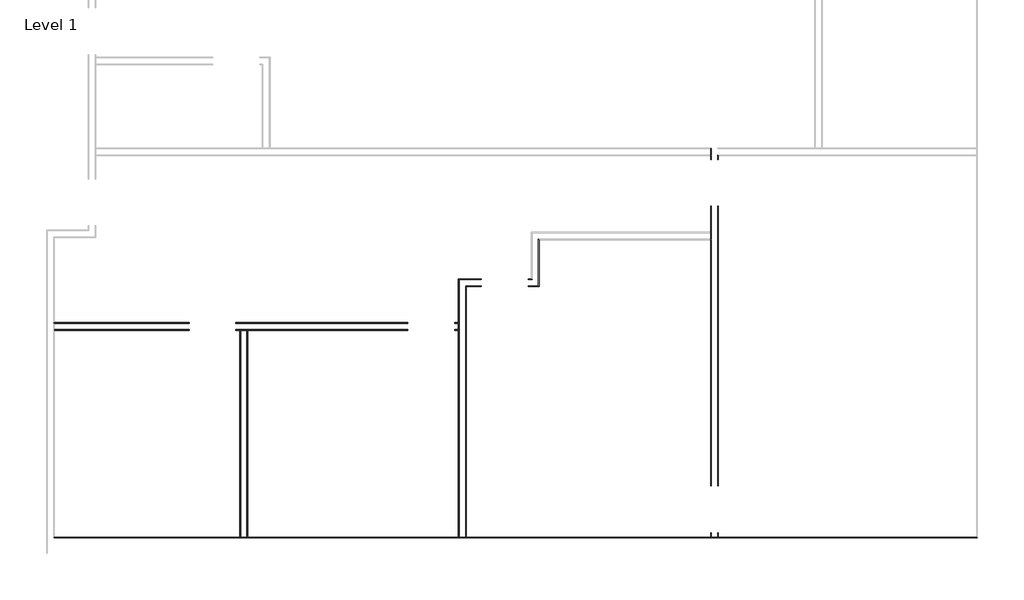
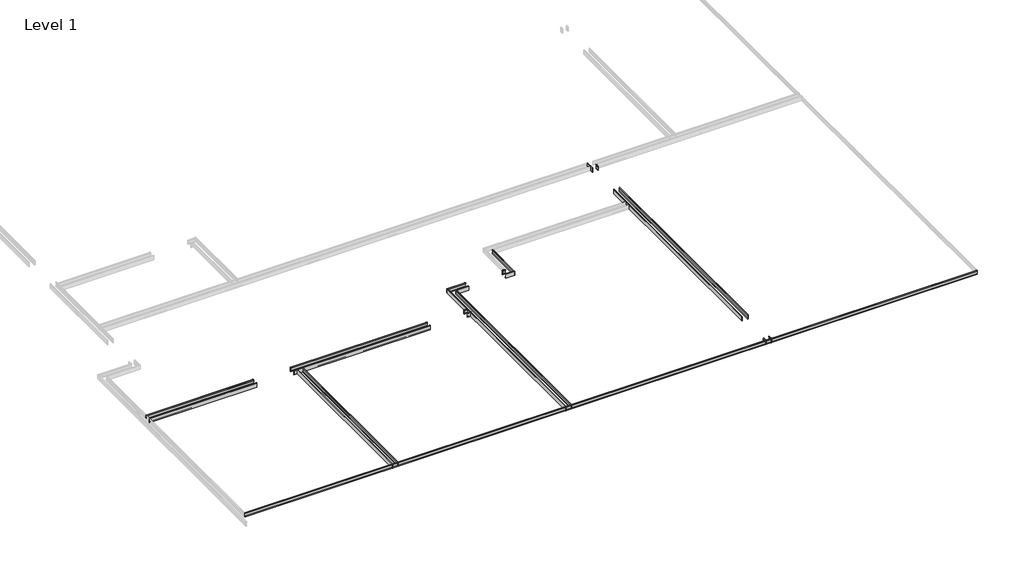
# One storey, part 45 of 51: 12 proxies.
"""IFC4 building model written with IfcOpenShell, lengths in millimetres."""

from ifc_helpers import new_model, si_unit, point, frame, frame_2d, origin, place, context, project, spatial, polyline, circle_curve, ellipse_curve, trimmed, segment, composite_curve, outline, extrude, element, save
from ifc_brep_helpers import plane_surface, cylinder_surface, advanced_brep

model = new_model("IFC4")

# Units and contexts
model_context = context("Model", 3, world=origin())
ifc_project = project(units=[si_unit("LENGTHUNIT", "METRE", prefix="MILLI")], contexts=[model_context])

# Site, building, storey
site = spatial("IfcSite", under=ifc_project)
building = spatial("IfcBuilding", under=site)
storey = spatial("IfcBuildingStorey", under=building, Name="Level 1", Elevation=0.0)

# Proxies
placement = place(None, origin())
element("IfcBuildingElementProxy", 1, Name="Wall Sweeps", at=placement, inside=storey, context=model_context, shape_type="AdvancedBrep", body=[
    advanced_brep(
    [(149211.190984, -21423.9301669, 22.1801656), (149207.8012805, -21423.9301669, 23.915644), (149207.8012805, -21423.9301669, 85.828144), (149211.190984, -21423.9301669, 87.5505545), (149211.190984, -21423.9301669, 107.95), (149200.078484, -21423.9301669, 107.95), (149196.903484, -21423.9301669, 104.775), (149196.903484, -21423.9301669, 0.0), (149211.190984, -21423.9301669, 0.0), (149211.190984, -16366.1551669, 22.1801656), (149211.190984, -16366.1551669, 0.0), (149196.903484, -16351.8676669, 0.0), (149196.903484, -16351.8676669, 104.775), (149200.078484, -16355.0426669, 107.95), (149211.190984, -16366.1551669, 107.95), (149211.190984, -16366.1551669, 87.5505545), (149207.8012805, -16362.7654634, 85.828144), (149207.8012805, -16362.7654634, 23.915644)],
    [
        (0, 1),
        (1, 2),
        (2, 3),
        (3, 4),
        (4, 5),
        (5, 6, circle_curve(frame((149200.078484, -21423.9301669, 104.775), z_axis=(0.0, -1.0, 0.0), x_axis=(-1.0, 0.0, 0.0)), 3.175)),
        (6, 7),
        (7, 8),
        (8, 0),
        (9, 10),
        (10, 11),
        (11, 12),
        (12, 13, ellipse_curve(frame((149200.078484, -16355.0426669, 104.775), z_axis=(0.7071067811865476, 0.7071067811865476, 0.0), x_axis=(0.7071067811865476, -0.7071067811865474, 0.0)), 4.4901281, 3.175)),
        (13, 14),
        (14, 15),
        (15, 16),
        (16, 17),
        (17, 9),
        (0, 9),
        (17, 1),
        (16, 2),
        (15, 3),
        (14, 4),
        (13, 5),
        (12, 6),
        (11, 7),
        (10, 8),
    ],
    [
        plane_surface(frame((149102.6705244, -21423.9301669, 0.0), z_axis=(0.0, -1.0, 0.0), x_axis=(0.0, 0.0, 1.0))),
        plane_surface(frame((149211.190984, -16366.1551669, 304.8), z_axis=(0.7071067811865476, 0.7071067811865476, 0.0), x_axis=(0.7071067811865476, -0.7071067811865476, 0.0))),
        plane_surface(frame((149211.190984, -21423.9301669, 22.1801656), z_axis=(0.4557279043188856, 0.0, 0.8901191365346083), x_axis=(0.0, 1.0, 0.0))),
        plane_surface(frame((149207.8012805, -21423.9301669, 23.915644), z_axis=(1.0, 0.0, 0.0), x_axis=(0.0, 1.0, 0.0))),
        plane_surface(frame((149207.8012805, -21423.9301669, 85.828144), z_axis=(0.4530026868357818, 0.0, -0.8915091506650745), x_axis=(0.0, 1.0, 0.0))),
        plane_surface(frame((149211.190984, -21423.9301669, 87.5505545), z_axis=(1.0, 0.0, 0.0), x_axis=(0.0, 1.0, 0.0))),
        plane_surface(frame((149211.190984, -21423.9301669, 107.95), z_axis=(0.0, 0.0, 1.0), x_axis=(0.0, 1.0, 0.0))),
        cylinder_surface(frame((149200.078484, -21423.9301669, 104.775), z_axis=(0.0, -1.0, 0.0), x_axis=(-1.0, 0.0, 0.0)), 3.175),
        plane_surface(frame((149196.903484, -21423.9301669, 104.775), z_axis=(-1.0, 0.0, 0.0), x_axis=(0.0, 1.0, 0.0))),
        plane_surface(frame((149196.903484, -21423.9301669, 0.0), z_axis=(0.0, 0.0, -1.0), x_axis=(0.0, 1.0, 0.0))),
        plane_surface(frame((149211.190984, -21423.9301669, 0.0), z_axis=(1.0, 0.0, 0.0), x_axis=(0.0, 1.0, 0.0))),
    ],
    [
        (0, [[1, 2, 3, 4, 5, 6, 7, 8, 9]]),
        (1, [[10, 11, 12, 13, 14, 15, 16, 17, 18]]),
        (2, [[-1, 19, -18, 20]]),
        (3, [[-2, -20, -17, 21]]),
        (4, [[-3, -21, -16, 22]]),
        (5, [[-4, -22, -15, 23]]),
        (6, [[-5, -23, -14, 24]]),
        (7, [[-6, -24, -13, 25]]),
        (8, [[-7, -25, -12, 26]]),
        (9, [[-8, -26, -11, 27]]),
        (10, [[-9, -27, -10, -19]]),
    ],
),
])
element("IfcBuildingElementProxy", 2, Name="Wall Sweeps", at=placement, inside=storey, context=model_context, shape_type="AdvancedBrep", body=[
    advanced_brep(
    [(149335.015984, -21423.9301669, 22.1801656), (149335.015984, -21423.9301669, 0.0), (149349.303484, -21423.9301669, 0.0), (149349.303484, -21423.9301669, 104.775), (149346.128484, -21423.9301669, 107.95), (149335.015984, -21423.9301669, 107.95), (149335.015984, -21423.9301669, 87.5505545), (149338.4056875, -21423.9301669, 85.828144), (149338.4056875, -21423.9301669, 23.915644), (149335.015984, -16489.9801669, 22.1801656), (149338.4056875, -16493.3698704, 23.915644), (149338.4056875, -16493.3698704, 85.828144), (149335.015984, -16489.9801669, 87.5505545), (149335.015984, -16489.9801669, 107.95), (149346.128484, -16501.0926669, 107.95), (149349.303484, -16504.2676669, 104.775), (149349.303484, -16504.2676669, 0.0), (149335.015984, -16489.9801669, 0.0)],
    [
        (0, 1),
        (1, 2),
        (2, 3),
        (3, 4, circle_curve(frame((149346.128484, -21423.9301669, 104.775), z_axis=(0.0, -1.0, 0.0), x_axis=(1.0, 0.0, 0.0)), 3.175)),
        (4, 5),
        (5, 6),
        (6, 7),
        (7, 8),
        (8, 0),
        (9, 10),
        (10, 11),
        (11, 12),
        (12, 13),
        (13, 14),
        (14, 15, ellipse_curve(frame((149346.128484, -16501.0926669, 104.775), z_axis=(0.7071067811865476, 0.7071067811865476, 0.0), x_axis=(0.7071067811865476, -0.7071067811865474, 0.0)), 4.4901281, 3.175)),
        (15, 16),
        (16, 17),
        (17, 9),
        (0, 9),
        (17, 1),
        (16, 2),
        (15, 3),
        (14, 4),
        (13, 5),
        (12, 6),
        (11, 7),
        (10, 8),
    ],
    [
        plane_surface(frame((149226.4955244, -21423.9301669, 0.0), z_axis=(0.0, -1.0, 0.0), x_axis=(0.0, 0.0, 1.0))),
        plane_surface(frame((149335.015984, -16489.9801669, 304.8), z_axis=(0.7071067811865476, 0.7071067811865476, 0.0), x_axis=(0.7071067811865476, -0.7071067811865476, 0.0))),
        plane_surface(frame((149335.015984, -21423.9301669, 22.1801656), z_axis=(-1.0, 0.0, 0.0), x_axis=(0.0, 1.0, 0.0))),
        plane_surface(frame((149335.015984, -21423.9301669, 0.0), z_axis=(0.0, 0.0, -1.0), x_axis=(0.0, 1.0, 0.0))),
        plane_surface(frame((149349.303484, -21423.9301669, 0.0), z_axis=(1.0, 0.0, 0.0), x_axis=(0.0, 1.0, 0.0))),
        cylinder_surface(frame((149346.128484, -21423.9301669, 104.775), z_axis=(0.0, -1.0, 0.0), x_axis=(1.0, 0.0, 0.0)), 3.175),
        plane_surface(frame((149346.128484, -21423.9301669, 107.95), z_axis=(0.0, 0.0, 1.0), x_axis=(0.0, 1.0, 0.0))),
        plane_surface(frame((149335.015984, -21423.9301669, 107.95), z_axis=(-1.0, 0.0, 0.0), x_axis=(0.0, 1.0, 0.0))),
        plane_surface(frame((149335.015984, -21423.9301669, 87.5505545), z_axis=(-0.4530026868357818, 0.0, -0.8915091506650745), x_axis=(0.0, 1.0, 0.0))),
        plane_surface(frame((149338.4056875, -21423.9301669, 85.828144), z_axis=(-1.0, 0.0, 0.0), x_axis=(0.0, 1.0, 0.0))),
        plane_surface(frame((149338.4056875, -21423.9301669, 23.915644), z_axis=(-0.4557279043188856, 0.0, 0.8901191365346083), x_axis=(0.0, 1.0, 0.0))),
    ],
    [
        (0, [[1, 2, 3, 4, 5, 6, 7, 8, 9]]),
        (1, [[10, 11, 12, 13, 14, 15, 16, 17, 18]]),
        (2, [[-1, 19, -18, 20]]),
        (3, [[-2, -20, -17, 21]]),
        (4, [[-3, -21, -16, 22]]),
        (5, [[-4, -22, -15, 23]]),
        (6, [[-5, -23, -14, 24]]),
        (7, [[-6, -24, -13, 25]]),
        (8, [[-7, -25, -12, 26]]),
        (9, [[-8, -26, -11, 27]]),
        (10, [[-9, -27, -10, -19]]),
    ],
),
])
element("IfcBuildingElementProxy", 3, Name="Wall Sweeps", at=placement, inside=storey, context=model_context, shape_type="SweptSolid", body=[
    extrude(outline(composite_curve([segment(polyline([(22.1801656, 154143.553484), (23.915644, 154140.1637805), (85.828144, 154140.1637805), (87.5505545, 154143.553484), (107.95, 154143.553484), (107.95, 154132.440984)]), True, "CONTINUOUS"), segment(trimmed(circle_curve(frame_2d((104.775, 154132.440984)), 3.175), [point((107.95, 154132.440984))], [point((104.775, 154129.265984))], False, "CARTESIAN"), True, "CONTINUOUS"), segment(polyline([(104.775, 154129.265984), (0.0, 154129.265984), (0.0, 154143.553484), (22.1801656, 154143.553484)]), True, "CONTINUOUS")], self_intersect=False)), frame((0.0, -14018.2426669, 0.0), z_axis=(0.0, 1.0, 0.0), x_axis=(0.0, 0.0, 1.0)), (0.0, 0.0, 1.0), 214.3125),
    extrude(outline(composite_curve([segment(polyline([(22.1801656, 154143.553484), (23.915644, 154140.1637805), (85.828144, 154140.1637805), (87.5505545, 154143.553484), (107.95, 154143.553484), (107.95, 154132.440984)]), True, "CONTINUOUS"), segment(trimmed(circle_curve(frame_2d((104.775, 154132.440984)), 3.175), [point((107.95, 154132.440984))], [point((104.775, 154129.265984))], False, "CARTESIAN"), True, "CONTINUOUS"), segment(polyline([(104.775, 154129.265984), (0.0, 154129.265984), (0.0, 154143.553484), (22.1801656, 154143.553484)]), True, "CONTINUOUS")], self_intersect=False)), frame((0.0, -20407.9301669, 0.0), z_axis=(0.0, 1.0, 0.0), x_axis=(0.0, 0.0, 1.0)), (0.0, 0.0, 1.0), 5475.2875),
    extrude(outline(composite_curve([segment(polyline([(22.1801656, 154143.553484), (23.915644, 154140.1637805), (85.828144, 154140.1637805), (87.5505545, 154143.553484), (107.95, 154143.553484), (107.95, 154132.440984)]), True, "CONTINUOUS"), segment(trimmed(circle_curve(frame_2d((104.775, 154132.440984)), 3.175), [point((107.95, 154132.440984))], [point((104.775, 154129.265984))], False, "CARTESIAN"), True, "CONTINUOUS"), segment(polyline([(104.775, 154129.265984), (0.0, 154129.265984), (0.0, 154143.553484), (22.1801656, 154143.553484)]), True, "CONTINUOUS")], self_intersect=False)), frame((0.0, -21423.9301669, 0.0), z_axis=(0.0, 1.0, 0.0), x_axis=(0.0, 0.0, 1.0)), (0.0, 0.0, 1.0), 101.6),
])
element("IfcBuildingElementProxy", 4, Name="Wall Sweeps", at=placement, inside=storey, context=model_context, shape_type="AdvancedBrep", body=[
    advanced_brep(
    [(154267.378484, -21423.9301669, 22.1801656), (154267.378484, -21423.9301669, 0.0), (154281.665984, -21423.9301669, 0.0), (154281.665984, -21423.9301669, 104.775), (154278.490984, -21423.9301669, 107.95), (154267.378484, -21423.9301669, 107.95), (154267.378484, -21423.9301669, 87.5505545), (154270.7681875, -21423.9301669, 85.828144), (154270.7681875, -21423.9301669, 23.915644), (154267.378484, -21322.3301669, 22.1801656), (154270.7681875, -21322.3301669, 23.915644), (154270.7681875, -21322.3301669, 85.828144), (154267.378484, -21322.3301669, 87.5505545), (154267.378484, -21322.3301669, 107.95), (154278.490984, -21322.3301669, 107.95), (154281.665984, -21322.3301669, 104.775), (154281.665984, -21322.3301669, 0.0), (154267.378484, -21322.3301669, 0.0)],
    [
        (0, 1),
        (1, 2),
        (2, 3),
        (3, 4, circle_curve(frame((154278.490984, -21423.9301669, 104.775), z_axis=(0.0, -1.0, 0.0), x_axis=(1.0, 0.0, 0.0)), 3.175)),
        (4, 5),
        (5, 6),
        (6, 7),
        (7, 8),
        (8, 0),
        (9, 10),
        (10, 11),
        (11, 12),
        (12, 13),
        (13, 14),
        (14, 15, circle_curve(frame((154278.490984, -21322.3301669, 104.775), z_axis=(0.0, 1.0, 0.0), x_axis=(1.0, 0.0, 0.0)), 3.175)),
        (15, 16),
        (16, 17),
        (17, 9),
        (0, 9),
        (17, 1),
        (16, 2),
        (15, 3),
        (14, 4),
        (13, 5),
        (12, 6),
        (11, 7),
        (10, 8),
    ],
    [
        plane_surface(frame((154158.8580244, -21423.9301669, 0.0), z_axis=(0.0, -1.0, 0.0), x_axis=(0.0, 0.0, 1.0))),
        plane_surface(frame((154158.8580244, -21322.3301669, 0.0), z_axis=(0.0, 1.0, 0.0), x_axis=(0.0, 0.0, 1.0))),
        plane_surface(frame((154267.378484, -21423.9301669, 22.1801656), z_axis=(-1.0, 0.0, 0.0), x_axis=(0.0, 1.0, 0.0))),
        plane_surface(frame((154267.378484, -21423.9301669, 0.0), z_axis=(0.0, 0.0, -1.0), x_axis=(0.0, 1.0, 0.0))),
        plane_surface(frame((154281.665984, -21423.9301669, 0.0), z_axis=(1.0, 0.0, 0.0), x_axis=(0.0, 1.0, 0.0))),
        cylinder_surface(frame((154278.490984, -21423.9301669, 104.775), z_axis=(0.0, -1.0, 0.0), x_axis=(1.0, 0.0, 0.0)), 3.175),
        plane_surface(frame((154278.490984, -21423.9301669, 107.95), z_axis=(0.0, 0.0, 1.0), x_axis=(0.0, 1.0, 0.0))),
        plane_surface(frame((154267.378484, -21423.9301669, 107.95), z_axis=(-1.0, 0.0, 0.0), x_axis=(0.0, 1.0, 0.0))),
        plane_surface(frame((154267.378484, -21423.9301669, 87.5505545), z_axis=(-0.4530026868357818, 0.0, -0.8915091506650745), x_axis=(0.0, 1.0, 0.0))),
        plane_surface(frame((154270.7681875, -21423.9301669, 85.828144), z_axis=(-1.0, 0.0, 0.0), x_axis=(0.0, 1.0, 0.0))),
        plane_surface(frame((154270.7681875, -21423.9301669, 23.915644), z_axis=(-0.4557279043188856, 0.0, 0.8901191365346083), x_axis=(0.0, 1.0, 0.0))),
    ],
    [
        (0, [[1, 2, 3, 4, 5, 6, 7, 8, 9]]),
        (1, [[10, 11, 12, 13, 14, 15, 16, 17, 18]]),
        (2, [[-1, 19, -18, 20]]),
        (3, [[-2, -20, -17, 21]]),
        (4, [[-3, -21, -16, 22]]),
        (5, [[-4, -22, -15, 23]]),
        (6, [[-5, -23, -14, 24]]),
        (7, [[-6, -24, -13, 25]]),
        (8, [[-7, -25, -12, 26]]),
        (9, [[-8, -26, -11, 27]]),
        (10, [[-9, -27, -10, -19]]),
    ],
),
    advanced_brep(
    [(154267.378484, -20407.9301669, 22.1801656), (154267.378484, -20407.9301669, 0.0), (154281.665984, -20407.9301669, 0.0), (154281.665984, -20407.9301669, 104.775), (154278.490984, -20407.9301669, 107.95), (154267.378484, -20407.9301669, 107.95), (154267.378484, -20407.9301669, 87.5505545), (154270.7681875, -20407.9301669, 85.828144), (154270.7681875, -20407.9301669, 23.915644), (154267.378484, -14932.6426669, 22.1801656), (154270.7681875, -14932.6426669, 23.915644), (154270.7681875, -14932.6426669, 85.828144), (154267.378484, -14932.6426669, 87.5505545), (154267.378484, -14932.6426669, 107.95), (154278.490984, -14932.6426669, 107.95), (154281.665984, -14932.6426669, 104.775), (154281.665984, -14932.6426669, 0.0), (154267.378484, -14932.6426669, 0.0)],
    [
        (0, 1),
        (1, 2),
        (2, 3),
        (3, 4, circle_curve(frame((154278.490984, -20407.9301669, 104.775), z_axis=(0.0, -1.0, 0.0), x_axis=(1.0, 0.0, 0.0)), 3.175)),
        (4, 5),
        (5, 6),
        (6, 7),
        (7, 8),
        (8, 0),
        (9, 10),
        (10, 11),
        (11, 12),
        (12, 13),
        (13, 14),
        (14, 15, circle_curve(frame((154278.490984, -14932.6426669, 104.775), z_axis=(0.0, 1.0, 0.0), x_axis=(1.0, 0.0, 0.0)), 3.175)),
        (15, 16),
        (16, 17),
        (17, 9),
        (0, 9),
        (17, 1),
        (16, 2),
        (15, 3),
        (14, 4),
        (13, 5),
        (12, 6),
        (11, 7),
        (10, 8),
    ],
    [
        plane_surface(frame((154158.8580244, -20407.9301669, 0.0), z_axis=(0.0, -1.0, 0.0), x_axis=(0.0, 0.0, 1.0))),
        plane_surface(frame((154158.8580244, -14932.6426669, 0.0), z_axis=(0.0, 1.0, 0.0), x_axis=(0.0, 0.0, 1.0))),
        plane_surface(frame((154267.378484, -20407.9301669, 22.1801656), z_axis=(-1.0, 0.0, 0.0), x_axis=(0.0, 1.0, 0.0))),
        plane_surface(frame((154267.378484, -20407.9301669, 0.0), z_axis=(0.0, 0.0, -1.0), x_axis=(0.0, 1.0, 0.0))),
        plane_surface(frame((154281.665984, -20407.9301669, 0.0), z_axis=(1.0, 0.0, 0.0), x_axis=(0.0, 1.0, 0.0))),
        cylinder_surface(frame((154278.490984, -20407.9301669, 104.775), z_axis=(0.0, -1.0, 0.0), x_axis=(1.0, 0.0, 0.0)), 3.175),
        plane_surface(frame((154278.490984, -20407.9301669, 107.95), z_axis=(0.0, 0.0, 1.0), x_axis=(0.0, 1.0, 0.0))),
        plane_surface(frame((154267.378484, -20407.9301669, 107.95), z_axis=(-1.0, 0.0, 0.0), x_axis=(0.0, 1.0, 0.0))),
        plane_surface(frame((154267.378484, -20407.9301669, 87.5505545), z_axis=(-0.4530026868357818, 0.0, -0.8915091506650745), x_axis=(0.0, 1.0, 0.0))),
        plane_surface(frame((154270.7681875, -20407.9301669, 85.828144), z_axis=(-1.0, 0.0, 0.0), x_axis=(0.0, 1.0, 0.0))),
        plane_surface(frame((154270.7681875, -20407.9301669, 23.915644), z_axis=(-0.4557279043188856, 0.0, 0.8901191365346083), x_axis=(0.0, 1.0, 0.0))),
    ],
    [
        (0, [[1, 2, 3, 4, 5, 6, 7, 8, 9]]),
        (1, [[10, 11, 12, 13, 14, 15, 16, 17, 18]]),
        (2, [[-1, 19, -18, 20]]),
        (3, [[-2, -20, -17, 21]]),
        (4, [[-3, -21, -16, 22]]),
        (5, [[-4, -22, -15, 23]]),
        (6, [[-5, -23, -14, 24]]),
        (7, [[-6, -24, -13, 25]]),
        (8, [[-7, -25, -12, 26]]),
        (9, [[-8, -26, -11, 27]]),
        (10, [[-9, -27, -10, -19]]),
    ],
),
    advanced_brep(
    [(154267.378484, -14018.2426669, 22.1801656), (154267.378484, -14018.2426669, 0.0), (154281.665984, -14018.2426669, 0.0), (154281.665984, -14018.2426669, 104.775), (154278.490984, -14018.2426669, 107.95), (154267.378484, -14018.2426669, 107.95), (154267.378484, -14018.2426669, 87.5505545), (154270.7681875, -14018.2426669, 85.828144), (154270.7681875, -14018.2426669, 23.915644), (154267.378484, -13927.7551669, 22.1801656), (154270.7681875, -13931.1448704, 23.915644), (154270.7681875, -13931.1448704, 85.828144), (154267.378484, -13927.7551669, 87.5505545), (154267.378484, -13927.7551669, 107.95), (154278.490984, -13938.8676669, 107.95), (154281.665984, -13942.0426669, 104.775), (154281.665984, -13942.0426669, 0.0), (154267.378484, -13927.7551669, 0.0)],
    [
        (0, 1),
        (1, 2),
        (2, 3),
        (3, 4, circle_curve(frame((154278.490984, -14018.2426669, 104.775), z_axis=(0.0, -1.0, 0.0), x_axis=(1.0, 0.0, 0.0)), 3.175)),
        (4, 5),
        (5, 6),
        (6, 7),
        (7, 8),
        (8, 0),
        (9, 10),
        (10, 11),
        (11, 12),
        (12, 13),
        (13, 14),
        (14, 15, ellipse_curve(frame((154278.490984, -13938.8676669, 104.775), z_axis=(0.707106781186544, 0.7071067811865511, 0.0), x_axis=(0.7071067811865511, -0.7071067811865438, 0.0)), 4.4901281, 3.175)),
        (15, 16),
        (16, 17),
        (17, 9),
        (0, 9),
        (17, 1),
        (16, 2),
        (15, 3),
        (14, 4),
        (13, 5),
        (12, 6),
        (11, 7),
        (10, 8),
    ],
    [
        plane_surface(frame((154158.8580244, -14018.2426669, 0.0), z_axis=(0.0, -1.0, 0.0), x_axis=(0.0, 0.0, 1.0))),
        plane_surface(frame((154267.378484, -13927.7551669, 304.8), z_axis=(0.707106781186544, 0.7071067811865511, 0.0), x_axis=(0.7071067811865511, -0.707106781186544, 0.0))),
        plane_surface(frame((154267.378484, -14018.2426669, 22.1801656), z_axis=(-1.0, 0.0, 0.0), x_axis=(0.0, 1.0, 0.0))),
        plane_surface(frame((154267.378484, -14018.2426669, 0.0), z_axis=(0.0, 0.0, -1.0), x_axis=(0.0, 1.0, 0.0))),
        plane_surface(frame((154281.665984, -14018.2426669, 0.0), z_axis=(1.0, 0.0, 0.0), x_axis=(0.0, 1.0, 0.0))),
        cylinder_surface(frame((154278.490984, -14018.2426669, 104.775), z_axis=(0.0, -1.0, 0.0), x_axis=(1.0, 0.0, 0.0)), 3.175),
        plane_surface(frame((154278.490984, -14018.2426669, 107.95), z_axis=(0.0, 0.0, 1.0), x_axis=(0.0, 1.0, 0.0))),
        plane_surface(frame((154267.378484, -14018.2426669, 107.95), z_axis=(-1.0, 0.0, 0.0), x_axis=(0.0, 1.0, 0.0))),
        plane_surface(frame((154267.378484, -14018.2426669, 87.5505545), z_axis=(-0.4530026868357818, 0.0, -0.8915091506650745), x_axis=(0.0, 1.0, 0.0))),
        plane_surface(frame((154270.7681875, -14018.2426669, 85.828144), z_axis=(-1.0, 0.0, 0.0), x_axis=(0.0, 1.0, 0.0))),
        plane_surface(frame((154270.7681875, -14018.2426669, 23.915644), z_axis=(-0.4557279043188856, 0.0, 0.8901191365346083), x_axis=(0.0, 1.0, 0.0))),
    ],
    [
        (0, [[1, 2, 3, 4, 5, 6, 7, 8, 9]]),
        (1, [[10, 11, 12, 13, 14, 15, 16, 17, 18]]),
        (2, [[-1, 19, -18, 20]]),
        (3, [[-2, -20, -17, 21]]),
        (4, [[-3, -21, -16, 22]]),
        (5, [[-4, -22, -15, 23]]),
        (6, [[-5, -23, -14, 24]]),
        (7, [[-6, -24, -13, 25]]),
        (8, [[-7, -25, -12, 26]]),
        (9, [[-8, -26, -11, 27]]),
        (10, [[-9, -27, -10, -19]]),
    ],
),
])
element("IfcBuildingElementProxy", 5, Name="Wall Sweeps", at=placement, inside=storey, context=model_context, shape_type="SweptSolid", body=[
    extrude(outline(composite_curve([segment(polyline([(22.1801656, 145058.290984), (0.0, 145058.290984), (0.0, 145072.578484), (104.775, 145072.578484)]), True, "CONTINUOUS"), segment(trimmed(circle_curve(frame_2d((104.775, 145069.403484)), 3.175), [point((104.775, 145072.578484))], [point((107.95, 145069.403484))], False, "CARTESIAN"), True, "CONTINUOUS"), segment(polyline([(107.95, 145069.403484), (107.95, 145058.290984), (87.5505545, 145058.290984), (85.828144, 145061.6806875), (23.915644, 145061.6806875), (22.1801656, 145058.290984)]), True, "CONTINUOUS")], self_intersect=False)), frame((0.0, -21423.9301669, 0.0), z_axis=(0.0, 1.0, 0.0), x_axis=(0.0, 0.0, 1.0)), (0.0, 0.0, 1.0), 4075.1125),
])
element("IfcBuildingElementProxy", 6, Name="Wall Sweeps", at=placement, inside=storey, context=model_context, shape_type="SweptSolid", body=[
    extrude(outline(composite_curve([segment(polyline([(22.1801656, 144934.465984), (23.915644, 144931.0762805), (85.828144, 144931.0762805), (87.5505545, 144934.465984), (107.95, 144934.465984), (107.95, 144923.353484)]), True, "CONTINUOUS"), segment(trimmed(circle_curve(frame_2d((104.775, 144923.353484)), 3.175), [point((107.95, 144923.353484))], [point((104.775, 144920.178484))], False, "CARTESIAN"), True, "CONTINUOUS"), segment(polyline([(104.775, 144920.178484), (0.0, 144920.178484), (0.0, 144934.465984), (22.1801656, 144934.465984)]), True, "CONTINUOUS")], self_intersect=False)), frame((0.0, -21423.9301669, 0.0), z_axis=(0.0, 1.0, 0.0), x_axis=(0.0, 0.0, 1.0)), (0.0, 0.0, 1.0), 4075.1125),
])
element("IfcBuildingElementProxy", 7, Name="Wall Sweeps", at=placement, inside=storey, context=model_context, shape_type="SweptSolid", body=[
    extrude(outline(composite_curve([segment(polyline([(-17224.9926669, 22.1801656), (-17221.6029634, 23.915644), (-17221.6029634, 85.828144), (-17224.9926669, 87.5505545), (-17224.9926669, 107.95), (-17213.8801669, 107.95)]), True, "CONTINUOUS"), segment(trimmed(circle_curve(frame_2d((-17213.8801669, 104.775)), 3.175), [point((-17213.8801669, 107.95))], [point((-17210.7051669, 104.775))], False, "CARTESIAN"), True, "CONTINUOUS"), segment(polyline([(-17210.7051669, 104.775), (-17210.7051669, 0.0), (-17224.9926669, 0.0), (-17224.9926669, 22.1801656)]), True, "CONTINUOUS")], self_intersect=False)), frame((141276.865984, 0.0, 0.0), z_axis=(1.0, 0.0, 0.0), x_axis=(0.0, 1.0, 0.0)), (0.0, 0.0, 1.0), 2652.7125),
    extrude(outline(composite_curve([segment(polyline([(-17224.9926669, 22.1801656), (-17221.6029634, 23.915644), (-17221.6029634, 85.828144), (-17224.9926669, 87.5505545), (-17224.9926669, 107.95), (-17213.8801669, 107.95)]), True, "CONTINUOUS"), segment(trimmed(circle_curve(frame_2d((-17213.8801669, 104.775)), 3.175), [point((-17213.8801669, 107.95))], [point((-17210.7051669, 104.775))], False, "CARTESIAN"), True, "CONTINUOUS"), segment(polyline([(-17210.7051669, 104.775), (-17210.7051669, 0.0), (-17224.9926669, 0.0), (-17224.9926669, 22.1801656)]), True, "CONTINUOUS")], self_intersect=False)), frame((144843.978484, 0.0, 0.0), z_axis=(1.0, 0.0, 0.0), x_axis=(0.0, 1.0, 0.0)), (0.0, 0.0, 1.0), 3362.325),
    extrude(outline(composite_curve([segment(polyline([(-17224.9926669, 22.1801656), (-17221.6029634, 23.915644), (-17221.6029634, 85.828144), (-17224.9926669, 87.5505545), (-17224.9926669, 107.95), (-17213.8801669, 107.95)]), True, "CONTINUOUS"), segment(trimmed(circle_curve(frame_2d((-17213.8801669, 104.775)), 3.175), [point((-17213.8801669, 107.95))], [point((-17210.7051669, 104.775))], False, "CARTESIAN"), True, "CONTINUOUS"), segment(polyline([(-17210.7051669, 104.775), (-17210.7051669, 0.0), (-17224.9926669, 0.0), (-17224.9926669, 22.1801656)]), True, "CONTINUOUS")], self_intersect=False)), frame((149120.703484, 0.0, 0.0), z_axis=(1.0, 0.0, 0.0), x_axis=(0.0, 1.0, 0.0)), (0.0, 0.0, 1.0), 90.4875),
])
element("IfcBuildingElementProxy", 8, Name="Wall Sweeps", at=placement, inside=storey, context=model_context, shape_type="SweptSolid", body=[
    extrude(outline(composite_curve([segment(polyline([(-17348.8176669, 22.1801656), (-17348.8176669, 0.0), (-17363.1051669, 0.0), (-17363.1051669, 104.775)]), True, "CONTINUOUS"), segment(trimmed(circle_curve(frame_2d((-17359.9301669, 104.775)), 3.175), [point((-17363.1051669, 104.775))], [point((-17359.9301669, 107.95))], False, "CARTESIAN"), True, "CONTINUOUS"), segment(polyline([(-17359.9301669, 107.95), (-17348.8176669, 107.95), (-17348.8176669, 87.5505545), (-17352.2073704, 85.828144), (-17352.2073704, 23.915644), (-17348.8176669, 22.1801656)]), True, "CONTINUOUS")], self_intersect=False)), frame((149120.703484, 0.0, 0.0), z_axis=(1.0, 0.0, 0.0), x_axis=(0.0, 1.0, 0.0)), (0.0, 0.0, 1.0), 90.4875),
    extrude(outline(composite_curve([segment(polyline([(-17348.8176669, 22.1801656), (-17348.8176669, 0.0), (-17363.1051669, 0.0), (-17363.1051669, 104.775)]), True, "CONTINUOUS"), segment(trimmed(circle_curve(frame_2d((-17359.9301669, 104.775)), 3.175), [point((-17363.1051669, 104.775))], [point((-17359.9301669, 107.95))], False, "CARTESIAN"), True, "CONTINUOUS"), segment(polyline([(-17359.9301669, 107.95), (-17348.8176669, 107.95), (-17348.8176669, 87.5505545), (-17352.2073704, 85.828144), (-17352.2073704, 23.915644), (-17348.8176669, 22.1801656)]), True, "CONTINUOUS")], self_intersect=False)), frame((144843.978484, 0.0, 0.0), z_axis=(1.0, 0.0, 0.0), x_axis=(0.0, 1.0, 0.0)), (0.0, 0.0, 1.0), 3362.325),
    extrude(outline(composite_curve([segment(polyline([(-17348.8176669, 22.1801656), (-17348.8176669, 0.0), (-17363.1051669, 0.0), (-17363.1051669, 104.775)]), True, "CONTINUOUS"), segment(trimmed(circle_curve(frame_2d((-17359.9301669, 104.775)), 3.175), [point((-17363.1051669, 104.775))], [point((-17359.9301669, 107.95))], False, "CARTESIAN"), True, "CONTINUOUS"), segment(polyline([(-17359.9301669, 107.95), (-17348.8176669, 107.95), (-17348.8176669, 87.5505545), (-17352.2073704, 85.828144), (-17352.2073704, 23.915644), (-17348.8176669, 22.1801656)]), True, "CONTINUOUS")], self_intersect=False)), frame((141276.865984, 0.0, 0.0), z_axis=(1.0, 0.0, 0.0), x_axis=(0.0, 1.0, 0.0)), (0.0, 0.0, 1.0), 2652.7125),
])
element("IfcBuildingElementProxy", 9, Name="Wall Sweeps", at=placement, inside=storey, context=model_context, shape_type="AdvancedBrep", body=[
    advanced_brep(
    [(159350.553484, -21423.9301669, 22.1801656), (159350.553484, -21423.9301669, 0.0), (159336.265984, -21409.6426669, 0.0), (159336.265984, -21409.6426669, 104.775), (159339.440984, -21412.8176669, 107.95), (159350.553484, -21423.9301669, 107.95), (159350.553484, -21423.9301669, 87.5505545), (159347.1637805, -21420.5404634, 85.828144), (159347.1637805, -21420.5404634, 23.915644), (141276.865984, -21423.9301669, 22.1801656), (141280.2556875, -21420.5404634, 23.915644), (141280.2556875, -21420.5404634, 85.828144), (141276.865984, -21423.9301669, 87.5505545), (141276.865984, -21423.9301669, 107.95), (141287.978484, -21412.8176669, 107.95), (141291.153484, -21409.6426669, 104.775), (141291.153484, -21409.6426669, 0.0), (141276.865984, -21423.9301669, 0.0)],
    [
        (0, 1),
        (1, 2),
        (2, 3),
        (3, 4, ellipse_curve(frame((159339.440984, -21412.8176669, 104.775), z_axis=(0.7071067811865476, 0.7071067811865476, 0.0), x_axis=(0.7071067811865474, -0.7071067811865477, 0.0)), 4.4901281, 3.175)),
        (4, 5),
        (5, 6),
        (6, 7),
        (7, 8),
        (8, 0),
        (9, 10),
        (10, 11),
        (11, 12),
        (12, 13),
        (13, 14),
        (14, 15, ellipse_curve(frame((141287.978484, -21412.8176669, 104.775), z_axis=(-0.7071067811865405, 0.7071067811865547, 0.0), x_axis=(0.7071067811865545, 0.7071067811865405, 0.0)), 4.4901281, 3.175)),
        (15, 16),
        (16, 17),
        (17, 9),
        (0, 9),
        (17, 1),
        (16, 2),
        (15, 3),
        (14, 4),
        (13, 5),
        (12, 6),
        (11, 7),
        (10, 8),
    ],
    [
        plane_surface(frame((159350.553484, -21423.9301669, 304.8), z_axis=(0.7071067811865476, 0.7071067811865476, 0.0), x_axis=(-0.7071067811865476, 0.7071067811865476, 0.0))),
        plane_surface(frame((141276.865984, -21423.9301669, 304.8), z_axis=(-0.7071067811865405, 0.7071067811865547, 0.0), x_axis=(0.7071067811865547, 0.7071067811865405, 0.0))),
        plane_surface(frame((159350.553484, -21423.9301669, 22.1801656), z_axis=(0.0, -1.0, 0.0), x_axis=(-1.0, 0.0, 0.0))),
        plane_surface(frame((159350.553484, -21423.9301669, 0.0), z_axis=(0.0, 0.0, -1.0), x_axis=(-1.0, 0.0, 0.0))),
        plane_surface(frame((159336.265984, -21409.6426669, 0.0), z_axis=(0.0, 1.0, 0.0), x_axis=(-1.0, 0.0, 0.0))),
        cylinder_surface(frame((159350.553484, -21412.8176669, 104.775), z_axis=(1.0, 0.0, 0.0), x_axis=(0.0, 1.0, 0.0)), 3.175),
        plane_surface(frame((159339.440984, -21412.8176669, 107.95), z_axis=(0.0, 0.0, 1.0), x_axis=(-1.0, 0.0, 0.0))),
        plane_surface(frame((159350.553484, -21423.9301669, 107.95), z_axis=(0.0, -1.0, 0.0), x_axis=(-1.0, 0.0, 0.0))),
        plane_surface(frame((159350.553484, -21423.9301669, 87.5505545), z_axis=(0.0, -0.4530026868357818, -0.8915091506650745), x_axis=(-1.0, 0.0, 0.0))),
        plane_surface(frame((159347.1637805, -21420.5404634, 85.828144), z_axis=(0.0, -1.0, 0.0), x_axis=(-1.0, 0.0, 0.0))),
        plane_surface(frame((159347.1637805, -21420.5404634, 23.915644), z_axis=(0.0, -0.4557279043188856, 0.8901191365346083), x_axis=(-1.0, 0.0, 0.0))),
    ],
    [
        (0, [[1, 2, 3, 4, 5, 6, 7, 8, 9]]),
        (1, [[10, 11, 12, 13, 14, 15, 16, 17, 18]]),
        (2, [[-1, 19, -18, 20]]),
        (3, [[-2, -20, -17, 21]]),
        (4, [[-3, -21, -16, 22]]),
        (5, [[-4, -22, -15, 23]]),
        (6, [[-5, -23, -14, 24]]),
        (7, [[-6, -24, -13, 25]]),
        (8, [[-7, -25, -12, 26]]),
        (9, [[-8, -26, -11, 27]]),
        (10, [[-9, -27, -10, -19]]),
    ],
),
])
element("IfcBuildingElementProxy", 10, Name="Wall Sweeps", at=placement, inside=storey, context=model_context, shape_type="AdvancedBrep", body=[
    advanced_brep(
    [(150762.178484, -15575.5801669, 22.1801656), (150765.5681875, -15578.9698704, 23.915644), (150765.5681875, -15578.9698704, 85.828144), (150762.178484, -15575.5801669, 87.5505545), (150762.178484, -15575.5801669, 107.95), (150773.290984, -15586.6926669, 107.95), (150776.465984, -15589.8676669, 104.775), (150776.465984, -15589.8676669, 0.0), (150762.178484, -15575.5801669, 0.0), (150762.178484, -16489.9801669, 22.1801656), (150762.178484, -16489.9801669, 0.0), (150776.465984, -16504.2676669, 0.0), (150776.465984, -16504.2676669, 104.775), (150773.290984, -16501.0926669, 107.95), (150762.178484, -16489.9801669, 107.95), (150762.178484, -16489.9801669, 87.5505545), (150765.5681875, -16493.3698704, 85.828144), (150765.5681875, -16493.3698704, 23.915644)],
    [
        (0, 1),
        (1, 2),
        (2, 3),
        (3, 4),
        (4, 5),
        (5, 6, ellipse_curve(frame((150773.290984, -15586.6926669, 104.775), z_axis=(0.707106781186544, 0.7071067811865511, 0.0), x_axis=(-0.7071067811865511, 0.7071067811865438, 0.0)), 4.4901281, 3.175)),
        (6, 7),
        (7, 8),
        (8, 0),
        (9, 10),
        (10, 11),
        (11, 12),
        (12, 13, ellipse_curve(frame((150773.290984, -16501.0926669, 104.775), z_axis=(-0.7071067811865476, -0.7071067811865476, 0.0), x_axis=(-0.7071067811865476, 0.7071067811865474, 0.0)), 4.4901281, 3.175)),
        (13, 14),
        (14, 15),
        (15, 16),
        (16, 17),
        (17, 9),
        (0, 9),
        (17, 1),
        (16, 2),
        (15, 3),
        (14, 4),
        (13, 5),
        (12, 6),
        (11, 7),
        (10, 8),
    ],
    [
        plane_surface(frame((150762.178484, -15575.5801669, -304.8), z_axis=(0.707106781186544, 0.7071067811865511, 0.0), x_axis=(0.7071067811865511, -0.707106781186544, 0.0))),
        plane_surface(frame((150762.178484, -16489.9801669, 304.8), z_axis=(-0.7071067811865476, -0.7071067811865476, 0.0), x_axis=(-0.7071067811865476, 0.7071067811865476, 0.0))),
        plane_surface(frame((150762.178484, -15575.5801669, 22.1801656), z_axis=(-0.4557279043188856, 0.0, 0.8901191365346083), x_axis=(0.0, -1.0, 0.0))),
        plane_surface(frame((150765.5681875, -15578.9698704, 23.915644), z_axis=(-1.0, 0.0, 0.0), x_axis=(0.0, -1.0, 0.0))),
        plane_surface(frame((150765.5681875, -15578.9698704, 85.828144), z_axis=(-0.4530026868357818, 0.0, -0.8915091506650745), x_axis=(0.0, -1.0, 0.0))),
        plane_surface(frame((150762.178484, -15575.5801669, 87.5505545), z_axis=(-1.0, 0.0, 0.0), x_axis=(0.0, -1.0, 0.0))),
        plane_surface(frame((150762.178484, -15575.5801669, 107.95), z_axis=(0.0, 0.0, 1.0), x_axis=(0.0, -1.0, 0.0))),
        cylinder_surface(frame((150773.290984, -15575.5801669, 104.775), z_axis=(0.0, 1.0, 0.0), x_axis=(1.0, 0.0, 0.0)), 3.175),
        plane_surface(frame((150776.465984, -15589.8676669, 104.775), z_axis=(1.0, 0.0, 0.0), x_axis=(0.0, -1.0, 0.0))),
        plane_surface(frame((150776.465984, -15589.8676669, 0.0), z_axis=(0.0, 0.0, -1.0), x_axis=(0.0, -1.0, 0.0))),
        plane_surface(frame((150762.178484, -15575.5801669, 0.0), z_axis=(-1.0, 0.0, 0.0), x_axis=(0.0, -1.0, 0.0))),
    ],
    [
        (0, [[1, 2, 3, 4, 5, 6, 7, 8, 9]]),
        (1, [[10, 11, 12, 13, 14, 15, 16, 17, 18]]),
        (2, [[-1, 19, -18, 20]]),
        (3, [[-2, -20, -17, 21]]),
        (4, [[-3, -21, -16, 22]]),
        (5, [[-4, -22, -15, 23]]),
        (6, [[-5, -23, -14, 24]]),
        (7, [[-6, -24, -13, 25]]),
        (8, [[-7, -25, -12, 26]]),
        (9, [[-8, -26, -11, 27]]),
        (10, [[-9, -27, -10, -19]]),
    ],
),
])
element("IfcBuildingElementProxy", 11, Name="Wall Sweeps", at=placement, inside=storey, context=model_context, shape_type="AdvancedBrep", body=[
    advanced_brep(
    [(149647.753484, -16489.9801669, 22.1801656), (149647.753484, -16493.3698704, 23.915644), (149647.753484, -16493.3698704, 85.828144), (149647.753484, -16489.9801669, 87.5505545), (149647.753484, -16489.9801669, 107.95), (149647.753484, -16501.0926669, 107.95), (149647.753484, -16504.2676669, 104.775), (149647.753484, -16504.2676669, 0.0), (149647.753484, -16489.9801669, 0.0), (149335.015984, -16489.9801669, 22.1801656), (149335.015984, -16489.9801669, 0.0), (149349.303484, -16504.2676669, 0.0), (149349.303484, -16504.2676669, 104.775), (149346.128484, -16501.0926669, 107.95), (149335.015984, -16489.9801669, 107.95), (149335.015984, -16489.9801669, 87.5505545), (149338.4056875, -16493.3698704, 85.828144), (149338.4056875, -16493.3698704, 23.915644)],
    [
        (0, 1),
        (1, 2),
        (2, 3),
        (3, 4),
        (4, 5),
        (5, 6, circle_curve(frame((149647.753484, -16501.0926669, 104.775), z_axis=(1.0, 0.0, 0.0), x_axis=(0.0, -1.0, 0.0)), 3.175)),
        (6, 7),
        (7, 8),
        (8, 0),
        (9, 10),
        (10, 11),
        (11, 12),
        (12, 13, ellipse_curve(frame((149346.128484, -16501.0926669, 104.775), z_axis=(-0.7071067811865476, -0.7071067811865476, 0.0), x_axis=(0.7071067811865474, -0.7071067811865477, 0.0)), 4.4901281, 3.175)),
        (13, 14),
        (14, 15),
        (15, 16),
        (16, 17),
        (17, 9),
        (0, 9),
        (17, 1),
        (16, 2),
        (15, 3),
        (14, 4),
        (13, 5),
        (12, 6),
        (11, 7),
        (10, 8),
    ],
    [
        plane_surface(frame((149647.753484, -16489.9801669, -108.5204596), z_axis=(1.0, 0.0, 0.0), x_axis=(0.0, -1.0, 0.0))),
        plane_surface(frame((149335.015984, -16489.9801669, -304.8), z_axis=(-0.7071067811865476, -0.7071067811865476, 0.0), x_axis=(0.7071067811865476, -0.7071067811865476, 0.0))),
        plane_surface(frame((149647.753484, -16489.9801669, 22.1801656), z_axis=(0.0, 0.4557279043188856, 0.8901191365346083), x_axis=(-1.0, 0.0, 0.0))),
        plane_surface(frame((149647.753484, -16493.3698704, 23.915644), z_axis=(0.0, 1.0, 0.0), x_axis=(-1.0, 0.0, 0.0))),
        plane_surface(frame((149647.753484, -16493.3698704, 85.828144), z_axis=(0.0, 0.4530026868357818, -0.8915091506650745), x_axis=(-1.0, 0.0, 0.0))),
        plane_surface(frame((149647.753484, -16489.9801669, 87.5505545), z_axis=(0.0, 1.0, 0.0), x_axis=(-1.0, 0.0, 0.0))),
        plane_surface(frame((149647.753484, -16489.9801669, 107.95), z_axis=(0.0, 0.0, 1.0), x_axis=(-1.0, 0.0, 0.0))),
        cylinder_surface(frame((149647.753484, -16501.0926669, 104.775), z_axis=(1.0, 0.0, 0.0), x_axis=(0.0, -1.0, 0.0)), 3.175),
        plane_surface(frame((149647.753484, -16504.2676669, 104.775), z_axis=(0.0, -1.0, 0.0), x_axis=(-1.0, 0.0, 0.0))),
        plane_surface(frame((149647.753484, -16504.2676669, 0.0), z_axis=(0.0, 0.0, -1.0), x_axis=(-1.0, 0.0, 0.0))),
        plane_surface(frame((149647.753484, -16489.9801669, 0.0), z_axis=(0.0, 1.0, 0.0), x_axis=(-1.0, 0.0, 0.0))),
    ],
    [
        (0, [[1, 2, 3, 4, 5, 6, 7, 8, 9]]),
        (1, [[10, 11, 12, 13, 14, 15, 16, 17, 18]]),
        (2, [[-1, 19, -18, 20]]),
        (3, [[-2, -20, -17, 21]]),
        (4, [[-3, -21, -16, 22]]),
        (5, [[-4, -22, -15, 23]]),
        (6, [[-5, -23, -14, 24]]),
        (7, [[-6, -24, -13, 25]]),
        (8, [[-7, -25, -12, 26]]),
        (9, [[-8, -26, -11, 27]]),
        (10, [[-9, -27, -10, -19]]),
    ],
),
    advanced_brep(
    [(150762.178484, -16489.9801669, 22.1801656), (150765.5681875, -16493.3698704, 23.915644), (150765.5681875, -16493.3698704, 85.828144), (150762.178484, -16489.9801669, 87.5505545), (150762.178484, -16489.9801669, 107.95), (150773.290984, -16501.0926669, 107.95), (150776.465984, -16504.2676669, 104.775), (150776.465984, -16504.2676669, 0.0), (150762.178484, -16489.9801669, 0.0), (150562.153484, -16489.9801669, 22.1801656), (150562.153484, -16489.9801669, 0.0), (150562.153484, -16504.2676669, 0.0), (150562.153484, -16504.2676669, 104.775), (150562.153484, -16501.0926669, 107.95), (150562.153484, -16489.9801669, 107.95), (150562.153484, -16489.9801669, 87.5505545), (150562.153484, -16493.3698704, 85.828144), (150562.153484, -16493.3698704, 23.915644), (150638.353484, -16489.9801669, 0.0)],
    [
        (0, 1),
        (1, 2),
        (2, 3),
        (3, 4),
        (4, 5),
        (5, 6, ellipse_curve(frame((150773.290984, -16501.0926669, 104.775), z_axis=(0.7071067811865511, 0.707106781186544, 0.0), x_axis=(0.7071067811865438, -0.7071067811865512, 0.0)), 4.4901281, 3.175)),
        (6, 7),
        (7, 8),
        (8, 0),
        (9, 10),
        (10, 11),
        (11, 12),
        (12, 13, circle_curve(frame((150562.153484, -16501.0926669, 104.775), z_axis=(-1.0, 0.0, 0.0), x_axis=(0.0, -1.0, 0.0)), 3.175)),
        (13, 14),
        (14, 15),
        (15, 16),
        (16, 17),
        (17, 9),
        (0, 9),
        (17, 1),
        (16, 2),
        (15, 3),
        (14, 4),
        (13, 5),
        (12, 6),
        (11, 7),
        (10, 18),
        (18, 8),
    ],
    [
        plane_surface(frame((150762.178484, -16489.9801669, 304.8), z_axis=(0.7071067811865511, 0.707106781186544, 0.0), x_axis=(-0.707106781186544, 0.7071067811865511, 0.0))),
        plane_surface(frame((150562.153484, -16489.9801669, -108.5204596), z_axis=(-1.0, 0.0, 0.0), x_axis=(0.0, -1.0, 0.0))),
        plane_surface(frame((150762.178484, -16489.9801669, 22.1801656), z_axis=(0.0, 0.4557279043188856, 0.8901191365346083), x_axis=(-1.0, 0.0, 0.0))),
        plane_surface(frame((150765.5681875, -16493.3698704, 23.915644), z_axis=(0.0, 1.0, 0.0), x_axis=(-1.0, 0.0, 0.0))),
        plane_surface(frame((150765.5681875, -16493.3698704, 85.828144), z_axis=(0.0, 0.4530026868357818, -0.8915091506650745), x_axis=(-1.0, 0.0, 0.0))),
        plane_surface(frame((150762.178484, -16489.9801669, 87.5505545), z_axis=(0.0, 1.0, 0.0), x_axis=(-1.0, 0.0, 0.0))),
        plane_surface(frame((150762.178484, -16489.9801669, 107.95), z_axis=(0.0, 0.0, 1.0), x_axis=(-1.0, 0.0, 0.0))),
        cylinder_surface(frame((150762.178484, -16501.0926669, 104.775), z_axis=(1.0, 0.0, 0.0), x_axis=(0.0, -1.0, 0.0)), 3.175),
        plane_surface(frame((150776.465984, -16504.2676669, 104.775), z_axis=(0.0, -1.0, 0.0), x_axis=(-1.0, 0.0, 0.0))),
        plane_surface(frame((150776.465984, -16504.2676669, 0.0), z_axis=(0.0, 0.0, -1.0), x_axis=(-1.0, 0.0, 0.0))),
        plane_surface(frame((150762.178484, -16489.9801669, 0.0), z_axis=(0.0, 1.0, 0.0), x_axis=(-1.0, 0.0, 0.0))),
    ],
    [
        (0, [[1, 2, 3, 4, 5, 6, 7, 8, 9]]),
        (1, [[10, 11, 12, 13, 14, 15, 16, 17, 18]]),
        (2, [[-1, 19, -18, 20]]),
        (3, [[-2, -20, -17, 21]]),
        (4, [[-3, -21, -16, 22]]),
        (5, [[-4, -22, -15, 23]]),
        (6, [[-5, -23, -14, 24]]),
        (7, [[-6, -24, -13, 25]]),
        (8, [[-7, -25, -12, 26]]),
        (9, [[-8, -26, -11, 27, 28]]),
        (10, [[-9, -28, -27, -10, -19]]),
    ],
),
])
element("IfcBuildingElementProxy", 12, Name="Wall Sweeps", at=placement, inside=storey, context=model_context, shape_type="AdvancedBrep", body=[
    advanced_brep(
    [(150638.353484, -16366.1551669, 22.1801656), (150638.353484, -16366.1551669, 0.0), (150624.065984, -16351.8676669, 0.0), (150624.065984, -16351.8676669, 104.775), (150627.240984, -16355.0426669, 107.95), (150638.353484, -16366.1551669, 107.95), (150638.353484, -16366.1551669, 87.5505545), (150634.9637805, -16362.7654634, 85.828144), (150634.9637805, -16362.7654634, 23.915644), (150562.153484, -16366.1551669, 22.1801656), (150562.153484, -16362.7654634, 23.915644), (150562.153484, -16362.7654634, 85.828144), (150562.153484, -16366.1551669, 87.5505545), (150562.153484, -16366.1551669, 107.95), (150562.153484, -16355.0426669, 107.95), (150562.153484, -16351.8676669, 104.775), (150562.153484, -16351.8676669, 0.0), (150562.153484, -16366.1551669, 0.0)],
    [
        (0, 1),
        (1, 2),
        (2, 3),
        (3, 4, ellipse_curve(frame((150627.240984, -16355.0426669, 104.775), z_axis=(0.7071067811865511, 0.707106781186544, 0.0), x_axis=(0.7071067811865438, -0.7071067811865512, 0.0)), 4.4901281, 3.175)),
        (4, 5),
        (5, 6),
        (6, 7),
        (7, 8),
        (8, 0),
        (9, 10),
        (10, 11),
        (11, 12),
        (12, 13),
        (13, 14),
        (14, 15, circle_curve(frame((150562.153484, -16355.0426669, 104.775), z_axis=(-1.0, 0.0, 0.0), x_axis=(0.0, 1.0, 0.0)), 3.175)),
        (15, 16),
        (16, 17),
        (17, 9),
        (0, 9),
        (17, 1),
        (16, 2),
        (15, 3),
        (14, 4),
        (13, 5),
        (12, 6),
        (11, 7),
        (10, 8),
    ],
    [
        plane_surface(frame((150638.353484, -16366.1551669, 304.8), z_axis=(0.7071067811865511, 0.707106781186544, 0.0), x_axis=(-0.707106781186544, 0.7071067811865511, 0.0))),
        plane_surface(frame((150562.153484, -16366.1551669, -108.5204596), z_axis=(-1.0, 0.0, 0.0), x_axis=(0.0, -1.0, 0.0))),
        plane_surface(frame((150638.353484, -16366.1551669, 22.1801656), z_axis=(0.0, -1.0, 0.0), x_axis=(-1.0, 0.0, 0.0))),
        plane_surface(frame((150638.353484, -16366.1551669, 0.0), z_axis=(0.0, 0.0, -1.0), x_axis=(-1.0, 0.0, 0.0))),
        plane_surface(frame((150624.065984, -16351.8676669, 0.0), z_axis=(0.0, 1.0, 0.0), x_axis=(-1.0, 0.0, 0.0))),
        cylinder_surface(frame((150638.353484, -16355.0426669, 104.775), z_axis=(1.0, 0.0, 0.0), x_axis=(0.0, 1.0, 0.0)), 3.175),
        plane_surface(frame((150627.240984, -16355.0426669, 107.95), z_axis=(0.0, 0.0, 1.0), x_axis=(-1.0, 0.0, 0.0))),
        plane_surface(frame((150638.353484, -16366.1551669, 107.95), z_axis=(0.0, -1.0, 0.0), x_axis=(-1.0, 0.0, 0.0))),
        plane_surface(frame((150638.353484, -16366.1551669, 87.5505545), z_axis=(0.0, -0.4530026868357818, -0.8915091506650745), x_axis=(-1.0, 0.0, 0.0))),
        plane_surface(frame((150634.9637805, -16362.7654634, 85.828144), z_axis=(0.0, -1.0, 0.0), x_axis=(-1.0, 0.0, 0.0))),
        plane_surface(frame((150634.9637805, -16362.7654634, 23.915644), z_axis=(0.0, -0.4557279043188856, 0.8901191365346083), x_axis=(-1.0, 0.0, 0.0))),
    ],
    [
        (0, [[1, 2, 3, 4, 5, 6, 7, 8, 9]]),
        (1, [[10, 11, 12, 13, 14, 15, 16, 17, 18]]),
        (2, [[-1, 19, -18, 20]]),
        (3, [[-2, -20, -17, 21]]),
        (4, [[-3, -21, -16, 22]]),
        (5, [[-4, -22, -15, 23]]),
        (6, [[-5, -23, -14, 24]]),
        (7, [[-6, -24, -13, 25]]),
        (8, [[-7, -25, -12, 26]]),
        (9, [[-8, -26, -11, 27]]),
        (10, [[-9, -27, -10, -19]]),
    ],
),
    advanced_brep(
    [(149647.753484, -16366.1551669, 22.1801656), (149647.753484, -16366.1551669, 0.0), (149647.753484, -16351.8676669, 0.0), (149647.753484, -16351.8676669, 104.775), (149647.753484, -16355.0426669, 107.95), (149647.753484, -16366.1551669, 107.95), (149647.753484, -16366.1551669, 87.5505545), (149647.753484, -16362.7654634, 85.828144), (149647.753484, -16362.7654634, 23.915644), (149211.190984, -16366.1551669, 22.1801656), (149207.8012805, -16362.7654634, 23.915644), (149207.8012805, -16362.7654634, 85.828144), (149211.190984, -16366.1551669, 87.5505545), (149211.190984, -16366.1551669, 107.95), (149200.078484, -16355.0426669, 107.95), (149196.903484, -16351.8676669, 104.775), (149196.903484, -16351.8676669, 0.0), (149211.190984, -16366.1551669, 0.0), (149335.015984, -16366.1551669, 0.0)],
    [
        (0, 1),
        (1, 2),
        (2, 3),
        (3, 4, circle_curve(frame((149647.753484, -16355.0426669, 104.775), z_axis=(1.0, 0.0, 0.0), x_axis=(0.0, 1.0, 0.0)), 3.175)),
        (4, 5),
        (5, 6),
        (6, 7),
        (7, 8),
        (8, 0),
        (9, 10),
        (10, 11),
        (11, 12),
        (12, 13),
        (13, 14),
        (14, 15, ellipse_curve(frame((149200.078484, -16355.0426669, 104.775), z_axis=(-0.7071067811865476, -0.7071067811865476, 0.0), x_axis=(0.7071067811865474, -0.7071067811865477, 0.0)), 4.4901281, 3.175)),
        (15, 16),
        (16, 17),
        (17, 9),
        (0, 9),
        (17, 18),
        (18, 1),
        (16, 2),
        (15, 3),
        (14, 4),
        (13, 5),
        (12, 6),
        (11, 7),
        (10, 8),
    ],
    [
        plane_surface(frame((149647.753484, -16366.1551669, -108.5204596), z_axis=(1.0, 0.0, 0.0), x_axis=(0.0, -1.0, 0.0))),
        plane_surface(frame((149211.190984, -16366.1551669, -304.8), z_axis=(-0.7071067811865476, -0.7071067811865476, 0.0), x_axis=(0.7071067811865476, -0.7071067811865476, 0.0))),
        plane_surface(frame((149647.753484, -16366.1551669, 22.1801656), z_axis=(0.0, -1.0, 0.0), x_axis=(-1.0, 0.0, 0.0))),
        plane_surface(frame((149647.753484, -16366.1551669, 0.0), z_axis=(0.0, 0.0, -1.0), x_axis=(-1.0, 0.0, 0.0))),
        plane_surface(frame((149647.753484, -16351.8676669, 0.0), z_axis=(0.0, 1.0, 0.0), x_axis=(-1.0, 0.0, 0.0))),
        cylinder_surface(frame((149647.753484, -16355.0426669, 104.775), z_axis=(1.0, 0.0, 0.0), x_axis=(0.0, 1.0, 0.0)), 3.175),
        plane_surface(frame((149647.753484, -16355.0426669, 107.95), z_axis=(0.0, 0.0, 1.0), x_axis=(-1.0, 0.0, 0.0))),
        plane_surface(frame((149647.753484, -16366.1551669, 107.95), z_axis=(0.0, -1.0, 0.0), x_axis=(-1.0, 0.0, 0.0))),
        plane_surface(frame((149647.753484, -16366.1551669, 87.5505545), z_axis=(0.0, -0.4530026868357818, -0.8915091506650745), x_axis=(-1.0, 0.0, 0.0))),
        plane_surface(frame((149647.753484, -16362.7654634, 85.828144), z_axis=(0.0, -1.0, 0.0), x_axis=(-1.0, 0.0, 0.0))),
        plane_surface(frame((149647.753484, -16362.7654634, 23.915644), z_axis=(0.0, -0.4557279043188856, 0.8901191365346083), x_axis=(-1.0, 0.0, 0.0))),
    ],
    [
        (0, [[1, 2, 3, 4, 5, 6, 7, 8, 9]]),
        (1, [[10, 11, 12, 13, 14, 15, 16, 17, 18]]),
        (2, [[-1, 19, -18, 20, 21]]),
        (3, [[-2, -21, -20, -17, 22]]),
        (4, [[-3, -22, -16, 23]]),
        (5, [[-4, -23, -15, 24]]),
        (6, [[-5, -24, -14, 25]]),
        (7, [[-6, -25, -13, 26]]),
        (8, [[-7, -26, -12, 27]]),
        (9, [[-8, -27, -11, 28]]),
        (10, [[-9, -28, -10, -19]]),
    ],
),
])

save(model, "model.ifc")
